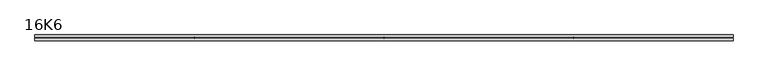
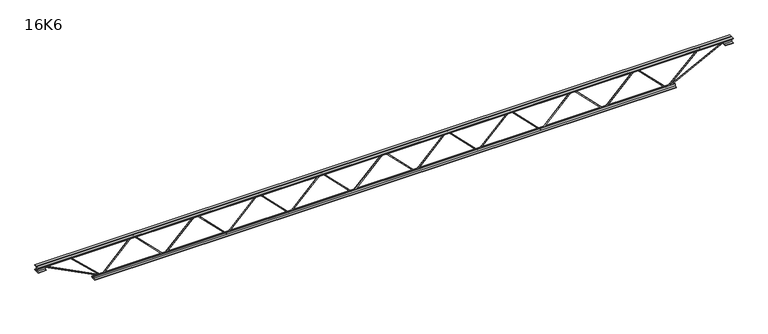
"""IFC4 building model written with IfcOpenShell, lengths in millimetres: beam geometry, 16K6."""

from ifc_helpers import new_model, si_unit, frame, origin, place, context, project, spatial, polyline, outline, extrude, source, transform, mapped, element, save


def beam_16k6_3e43bc8a(model_context):
    return source(origin(), model_context, "Body", "SweptSolid", [
        extrude(outline(polyline([(-191.9, 1976.6666667), (-201.4, 1976.6666667), (-201.4, 1981.8245524), (191.9, 2370.8078857), (191.9, 2373.1921143), (-201.4, 2762.1754476), (-201.4, 2767.3333333), (-191.9, 2767.3333333), (-191.9, 2766.1412191), (201.4, 2377.1578857), (201.4, 2366.8421143), (-191.9, 1977.8587809), (-191.9, 1976.6666667)])), frame((0.0, -4.75, 0.0), z_axis=(0.0, 1.0, 0.0), x_axis=(0.0, 0.0, 1.0)), (0.0, 0.0, 1.0), 9.5),
        extrude(outline(polyline([(-191.9, 1186.0), (-201.4, 1186.0), (-201.4, 1191.1578857), (191.9, 1580.1412191), (191.9, 1582.5254476), (-201.4, 1971.5087809), (-201.4, 1976.6666667), (-191.9, 1976.6666667), (-191.9, 1975.4745524), (201.4, 1586.4912191), (201.4, 1576.1754476), (-191.9, 1187.1921143), (-191.9, 1186.0)])), frame((0.0, -4.75, 0.0), z_axis=(0.0, 1.0, 0.0), x_axis=(0.0, 0.0, 1.0)), (0.0, 0.0, 1.0), 9.5),
        extrude(outline(polyline([(-191.9, 395.3333333), (-201.4, 395.3333333), (-201.4, 400.4912191), (191.9, 789.4745524), (191.9, 791.8587809), (-201.4, 1180.8421143), (-201.4, 1186.0), (-191.9, 1186.0), (-191.9, 1184.8078857), (201.4, 795.8245524), (201.4, 785.5087809), (-191.9, 396.5254476), (-191.9, 395.3333333)])), frame((0.0, -4.75, 0.0), z_axis=(0.0, 1.0, 0.0), x_axis=(0.0, 0.0, 1.0)), (0.0, 0.0, 1.0), 9.5),
        extrude(outline(polyline([(-191.9, -395.3333333), (-201.4, -395.3333333), (-201.4, -390.1754476), (191.9, -1.1921143), (191.9, 1.1921143), (-201.4, 390.1754476), (-201.4, 395.3333333), (-191.9, 395.3333333), (-191.9, 394.1412191), (201.4, 5.1578857), (201.4, -5.1578857), (-191.9, -394.1412191), (-191.9, -395.3333333)])), frame((0.0, -4.75, 0.0), z_axis=(0.0, 1.0, 0.0), x_axis=(0.0, 0.0, 1.0)), (0.0, 0.0, 1.0), 9.5),
        extrude(outline(polyline([(-191.9, -1186.0), (-201.4, -1186.0), (-201.4, -1180.8421143), (191.9, -791.8587809), (191.9, -789.4745524), (-201.4, -400.4912191), (-201.4, -395.3333333), (-191.9, -395.3333333), (-191.9, -396.5254476), (201.4, -785.5087809), (201.4, -795.8245524), (-191.9, -1184.8078857), (-191.9, -1186.0)])), frame((0.0, -4.75, 0.0), z_axis=(0.0, 1.0, 0.0), x_axis=(0.0, 0.0, 1.0)), (0.0, 0.0, 1.0), 9.5),
        extrude(outline(polyline([(-191.9, -1976.6666667), (-201.4, -1976.6666667), (-201.4, -1971.5087809), (191.9, -1582.5254476), (191.9, -1580.1412191), (-201.4, -1191.1578857), (-201.4, -1186.0), (-191.9, -1186.0), (-191.9, -1187.1921143), (201.4, -1576.1754476), (201.4, -1586.4912191), (-191.9, -1975.4745524), (-191.9, -1976.6666667)])), frame((0.0, -4.75, 0.0), z_axis=(0.0, 1.0, 0.0), x_axis=(0.0, 0.0, 1.0)), (0.0, 0.0, 1.0), 9.5),
        extrude(outline(polyline([(-191.9, -2767.3333333), (-201.4, -2767.3333333), (-201.4, -2762.1754476), (191.9, -2373.1921143), (191.9, -2370.8078857), (-201.4, -1981.8245524), (-201.4, -1976.6666667), (-191.9, -1976.6666667), (-191.9, -1977.8587809), (201.4, -2366.8421143), (201.4, -2377.1578857), (-191.9, -2766.1412191), (-191.9, -2767.3333333)])), frame((0.0, -4.75, 0.0), z_axis=(0.0, 1.0, 0.0), x_axis=(0.0, 0.0, 1.0)), (0.0, 0.0, 1.0), 9.5),
        extrude(outline(polyline([(-191.9, 2767.3333333), (-201.4, 2767.3333333), (-201.4, 2772.4912191), (191.9, 3161.4745524), (191.9, 3163.8587809), (-201.4, 3552.8421143), (-201.4, 3558.0), (-191.9, 3558.0), (-191.9, 3556.8078857), (201.4, 3167.8245524), (201.4, 3157.5087809), (-191.9, 2768.5254476), (-191.9, 2767.3333333)])), frame((0.0, -4.75, 0.0), z_axis=(0.0, 1.0, 0.0), x_axis=(0.0, 0.0, 1.0)), (0.0, 0.0, 1.0), 9.5),
        extrude(outline(polyline([(-191.9, -3558.0), (-201.4, -3558.0), (-201.4, -3552.8421143), (191.9, -3163.8587809), (191.9, -3161.4745524), (-201.4, -2772.4912191), (-201.4, -2767.3333333), (-191.9, -2767.3333333), (-191.9, -2768.5254476), (201.4, -3157.5087809), (201.4, -3167.8245524), (-191.9, -3556.8078857), (-191.9, -3558.0)])), frame((0.0, -4.75, 0.0), z_axis=(0.0, 1.0, 0.0), x_axis=(0.0, 0.0, 1.0)), (0.0, 0.0, 1.0), 9.5),
        extrude(outline(polyline([(4.75, 203.0), (36.75, 203.0), (36.75, 196.5), (11.25, 196.5), (11.25, 171.0), (4.75, 171.0), (4.75, 203.0)])), frame((-4370.0, 0.0, 0.0), z_axis=(1.0, 0.0, 0.0), x_axis=(0.0, 1.0, 0.0)), (0.0, 0.0, 1.0), 8740.0),
        extrude(outline(polyline([(-4.75, 203.0), (-4.75, 171.0), (-11.25, 171.0), (-11.25, 196.5), (-36.75, 196.5), (-36.75, 203.0), (-4.75, 203.0)])), frame((-4370.0, 0.0, 0.0), z_axis=(1.0, 0.0, 0.0), x_axis=(0.0, 1.0, 0.0)), (0.0, 0.0, 1.0), 8740.0),
        extrude(outline(polyline([(-4.75, 139.5), (-36.75, 139.5), (-36.75, 146.0), (-11.25, 146.0), (-11.25, 171.0), (-4.75, 171.0), (-4.75, 139.5)])), frame((-4370.0, 0.0, 0.0), z_axis=(1.0, 0.0, 0.0), x_axis=(0.0, 1.0, 0.0)), (0.0, 0.0, 1.0), 100.0),
        extrude(outline(polyline([(36.75, 139.5), (4.75, 139.5), (4.75, 171.0), (11.25, 171.0), (11.25, 146.0), (36.75, 146.0), (36.75, 139.5)])), frame((-4370.0, 0.0, 0.0), z_axis=(1.0, 0.0, 0.0), x_axis=(0.0, 1.0, 0.0)), (0.0, 0.0, 1.0), 100.0),
        extrude(outline(polyline([(4.75, 139.5), (4.75, 171.0), (11.25, 171.0), (11.25, 146.0), (36.75, 146.0), (36.75, 139.5), (4.75, 139.5)])), frame((4270.0, 0.0, 0.0), z_axis=(1.0, 0.0, 0.0), x_axis=(0.0, 1.0, 0.0)), (0.0, 0.0, 1.0), 100.0),
        extrude(outline(polyline([(-4.75, 139.5), (-36.75, 139.5), (-36.75, 146.0), (-11.25, 146.0), (-11.25, 171.0), (-4.75, 171.0), (-4.75, 139.5)])), frame((4270.0, 0.0, 0.0), z_axis=(1.0, 0.0, 0.0), x_axis=(0.0, 1.0, 0.0)), (0.0, 0.0, 1.0), 100.0),
        extrude(outline(polyline([(4.75, -203.0), (4.75, -171.0), (11.25, -171.0), (11.25, -196.5), (36.75, -196.5), (36.75, -203.0), (4.75, -203.0)])), frame((-3658.0, 0.0, 0.0), z_axis=(1.0, 0.0, 0.0), x_axis=(0.0, 1.0, 0.0)), (0.0, 0.0, 1.0), 7316.0),
        extrude(outline(polyline([(-4.75, -203.0), (-36.75, -203.0), (-36.75, -196.5), (-11.25, -196.5), (-11.25, -171.0), (-4.75, -171.0), (-4.75, -203.0)])), frame((-3658.0, 0.0, 0.0), z_axis=(1.0, 0.0, 0.0), x_axis=(0.0, 1.0, 0.0)), (0.0, 0.0, 1.0), 7316.0),
        extrude(outline(polyline([(-200.8705467, -3560.1793315), (-192.4294533, -3555.8206685), (175.75, -4268.8460208), (175.75, -4370.0), (166.25, -4370.0), (166.25, -4271.1539792), (-200.8705467, -3560.1793315)])), frame((0.0, -4.75, 0.0), z_axis=(0.0, 1.0, 0.0), x_axis=(0.0, 0.0, 1.0)), (0.0, 0.0, 1.0), 9.5),
        extrude(outline(polyline([(188.7, -3973.2904762), (179.2, -3973.2904762), (179.2, -3962.4803307), (-200.1017043, -3561.2631637), (-193.1982957, -3554.7368363), (188.7, -3958.7006217), (188.7, -3973.2904762)])), frame((0.0, -4.75, 0.0), z_axis=(0.0, 1.0, 0.0), x_axis=(0.0, 0.0, 1.0)), (0.0, 0.0, 1.0), 9.5),
        extrude(outline(polyline([(0.0, -9.5), (0.0, 0.0), (801.3179909, 0.0), (801.3179909, -9.5), (0.0, -9.5)])), frame((4272.1793315, -4.75, 166.7794533), z_axis=(-0.4588066213244953, 0.0, 0.8885361468329812), x_axis=(-0.8885361468329812, 0.0, -0.4588066213244953)), (0.0, 0.0, 1.0), 9.5),
        extrude(outline(polyline([(0.0, -9.5), (0.0, 0.0), (568.0316548, 0.0), (568.0316548, -9.5), (0.0, -9.5)])), frame((3971.1364763, -4.75, 193.2227681), z_axis=(-0.6923909903371618, 0.0, 0.7215224989561478), x_axis=(-0.7215224989561478, 0.0, -0.6923909903371618)), (0.0, 0.0, 1.0), 9.5),
    ])


if __name__ == "__main__":
    model = new_model("IFC4")
    model_context = context("Model", 3, world=origin())
    ifc_project = project(units=[si_unit("LENGTHUNIT", "METRE", prefix="MILLI")], contexts=[model_context])
    site = spatial("IfcSite", under=ifc_project)
    building = spatial("IfcBuilding", under=site)
    placement = place(None, origin())
    beam_16k6_shape = beam_16k6_3e43bc8a(model_context)
    element("IfcBeam", 1, ObjectType="16K6", at=placement, inside=building, context=model_context, shape_type="MappedRepresentation", body=[
        mapped(beam_16k6_shape, transform((0.0, 0.0, 0.0), x_axis=(1.0, 0.0, 0.0), y_axis=(0.0, 1.0, 0.0), z_axis=(0.0, 0.0, 1.0))),
    ])
    save(model, "model.ifc")
